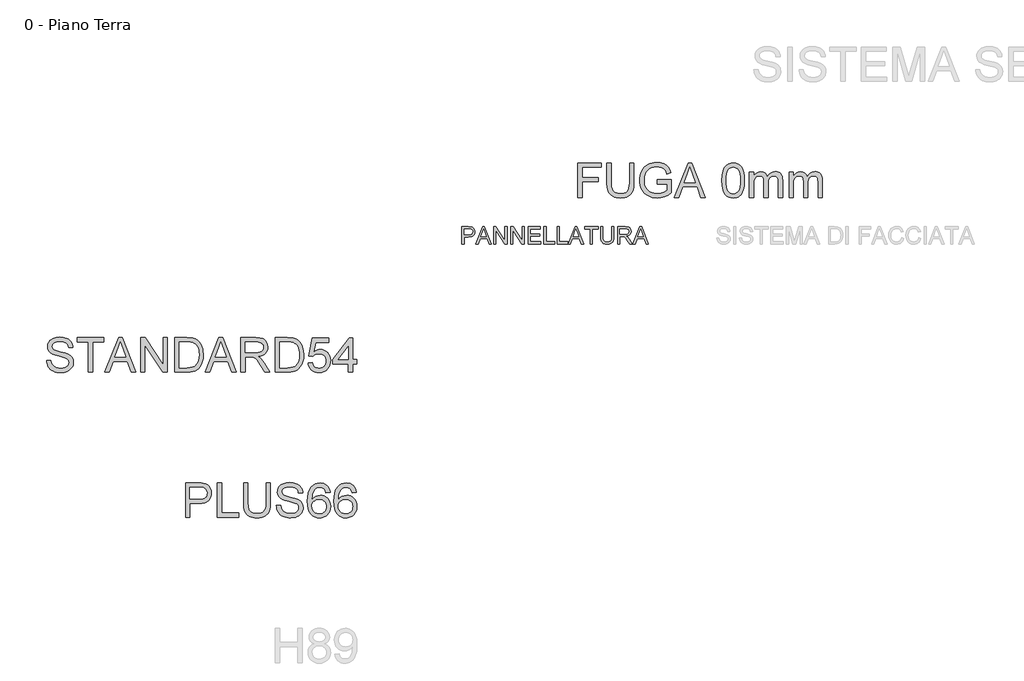
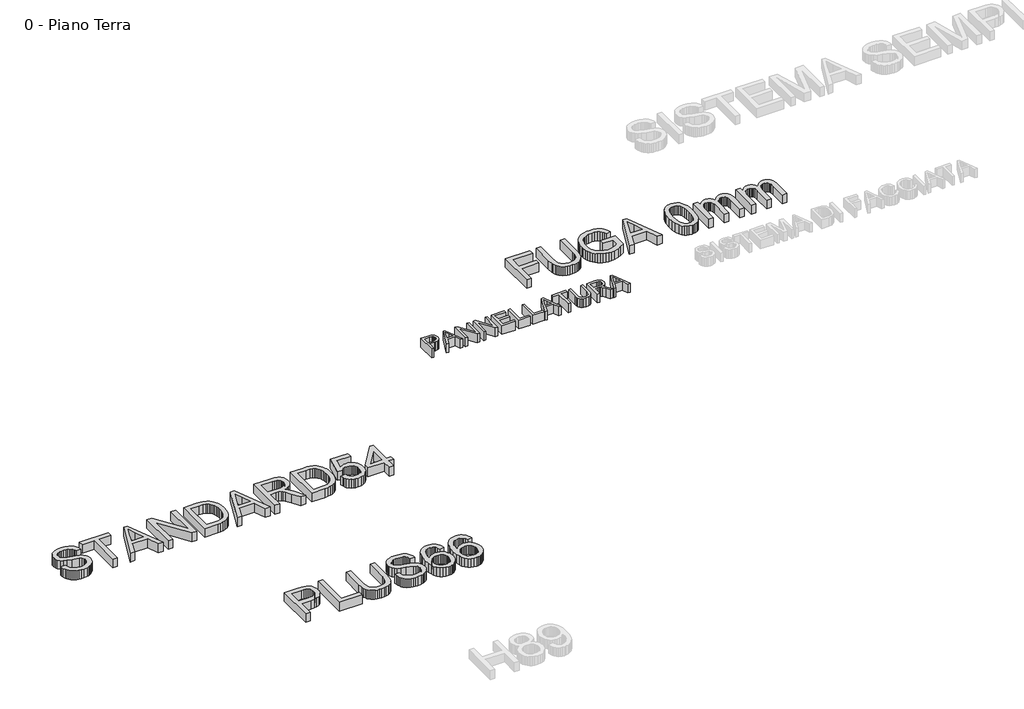
# One storey, part 10 of 17: 4 proxies.
"""IFC4 building model written with IfcOpenShell, lengths in millimetres."""

from ifc_helpers import new_model, si_unit, origin, origin_with_axes, place, context, project, spatial, polyline, outline, extrude, element, save

model = new_model("IFC4")

# Units and contexts
model_context = context("Model", 3, world=origin())
ifc_project = project(units=[si_unit("LENGTHUNIT", "METRE", prefix="MILLI")], contexts=[model_context])

# Site, building, storey
site = spatial("IfcSite", under=ifc_project)
building = spatial("IfcBuilding", under=site)
storey = spatial("IfcBuildingStorey", under=building, Name="0 - Piano Terra", Elevation=0.0)

# Proxies
placement = place(None, origin())
element("IfcBuildingElementProxy", 1, Name="Testo modello 1", ObjectType="Testo modello 1", at=placement, inside=storey, context=model_context, shape_type="SweptSolid", body=[
    extrude(outline(polyline([(-17336.6286265, -14035.9482618), (-17336.6286265, -13445.179031), (-17117.6863188, -13445.179031), (-17066.7007419, -13446.585281), (-17029.417088, -13450.804031), (-16990.0601169, -13461.3148483), (-16957.6622803, -13478.4242233), (-16931.5745399, -13502.9073964), (-16911.1478573, -13535.5396079), (-16897.9507419, -13574.0311945), (-16893.5517034, -13616.0924925), (-16896.5219558, -13652.3575166), (-16905.432713, -13685.7198964), (-16920.283975, -13716.179632), (-16941.0757419, -13743.7367233), (-16969.6199125, -13766.5792714), (-17007.7283861, -13782.8953771), (-17055.4011625, -13792.6850406), (-17112.6382419, -13795.9482618), (-17262.7824726, -13795.9482618), (-17262.7824726, -14035.9482618), (-17336.6286265, -14035.9482618)]), holes=[polyline([(-17262.7824726, -13722.1021079), (-17108.3113188, -13722.1021079), (-17072.7944919, -13720.4073964), (-17042.8305496, -13715.3232618), (-17018.4194919, -13706.8497041), (-16999.5613188, -13694.9867233), (-16985.4898044, -13680.0498243), (-16975.4387226, -13662.3545118), (-16969.4080736, -13641.9007858), (-16967.3978573, -13618.6886464), (-16972.1394438, -13585.5155695), (-16986.3642034, -13557.5348002), (-17008.3053092, -13536.4771079), (-17036.1959342, -13524.0732618), (-17064.6815111, -13520.2872041), (-17110.042088, -13519.0251848), (-17262.7824726, -13519.0251848), (-17262.7824726, -13722.1021079)])]), origin_with_axes(), (0.0, 0.0, 1.0), 150.0),
    extrude(outline(polyline([(-16792.0132419, -14035.9482618), (-16792.0132419, -13445.179031), (-16718.167088, -13445.179031), (-16718.167088, -13962.1021079), (-16422.7824726, -13962.1021079), (-16422.7824726, -14035.9482618), (-16792.0132419, -14035.9482618)])), origin_with_axes(), (0.0, 0.0, 1.0), 150.0),
    extrude(outline(polyline([(-15952.0132419, -13445.179031), (-15878.167088, -13445.179031), (-15878.167088, -13785.9963387), (-15883.1791073, -13865.8100406), (-15889.4441313, -13898.8343796), (-15898.2151649, -13927.2703771), (-15910.2494198, -13952.195257), (-15926.3041073, -13974.6862425), (-15946.3792274, -13994.7433339), (-15970.4747803, -14012.366531), (-15998.6178092, -14026.7219997), (-16030.8353573, -14036.975906), (-16067.1274246, -14043.1282497), (-16107.4940111, -14045.179031), (-16146.8645039, -14043.3941752), (-16182.4759823, -14038.0396079), (-16214.3284462, -14029.1153291), (-16242.4218957, -14016.6213387), (-16266.760838, -14000.7424324), (-16287.3497803, -13981.663406), (-16304.1887226, -13959.3842594), (-16317.2776649, -13933.9049925), (-16327.0898645, -13904.3512065), (-16334.0985784, -13869.8485021), (-16339.7055496, -13785.9963387), (-16339.7055496, -13445.179031), (-16265.8593957, -13445.179031), (-16265.8593957, -13783.4001848), (-16262.2175688, -13849.7643675), (-16251.292088, -13895.9723002), (-16242.7013428, -13913.0050526), (-16231.4964149, -13927.9735021), (-16217.6773044, -13940.8776488), (-16201.2440111, -13951.7174925), (-16161.7968957, -13966.429031), (-16114.417088, -13971.3328771), (-16073.7169678, -13968.9079973), (-16039.3089149, -13961.6333579), (-16011.1929294, -13949.5089589), (-15989.3690111, -13932.5348002), (-15973.0258621, -13908.6646079), (-15961.3521842, -13875.8521079), (-15954.3479774, -13834.0973002), (-15952.0132419, -13783.4001848), (-15952.0132419, -13445.179031)])), origin_with_axes(), (0.0, 0.0, 1.0), 150.0),
    extrude(outline(polyline([(-15776.6286265, -13832.8713387), (-15702.7824726, -13832.8713387), (-15694.3089149, -13873.850906), (-15678.9843957, -13906.7896079), (-15655.0781457, -13932.9314348), (-15620.8593957, -13953.5203771), (-15579.0324726, -13966.8797521), (-15532.3017034, -13971.3328771), (-15491.1598765, -13967.9614829), (-15455.1382419, -13957.8473002), (-15425.9495399, -13941.8376848), (-15405.3065111, -13920.7799925), (-15393.0288669, -13896.6033098), (-15388.9363188, -13871.2367233), (-15392.0012226, -13846.5191752), (-15401.1959342, -13825.1549925), (-15419.8738188, -13806.9278291), (-15451.3882419, -13791.6213387), (-15558.9122803, -13763.4242233), (-15629.495213, -13744.7643675), (-15674.6574726, -13727.0059541), (-15711.4182899, -13702.1622041), (-15737.4699726, -13672.054031), (-15752.9928092, -13637.3304733), (-15758.167088, -13598.6405695), (-15756.5670279, -13576.6498844), (-15751.7668476, -13555.3893675), (-15743.7665472, -13534.859019), (-15732.5661265, -13515.0588387), (-15718.2917875, -13496.7956175), (-15701.0697323, -13480.8761464), (-15680.8999606, -13467.3004252), (-15657.7824726, -13456.0684541), (-15605.823338, -13440.9783098), (-15548.3113188, -13435.9482618), (-15486.0036265, -13441.2126848), (-15431.4843957, -13457.0059541), (-15407.6322323, -13468.7697762), (-15386.7007419, -13483.0035502), (-15368.6899246, -13499.7072762), (-15353.5997803, -13518.8809541), (-15341.5474967, -13539.9656896), (-15332.6502611, -13562.4025887), (-15326.9080736, -13586.1916512), (-15324.3209342, -13611.3328771), (-15398.167088, -13611.3328771), (-15403.1069919, -13587.7691752), (-15411.7247803, -13567.2703771), (-15424.0204534, -13549.8364829), (-15439.9940111, -13535.4674925), (-15459.9429294, -13524.2355214), (-15484.1646842, -13516.2126848), (-15512.6592755, -13511.3989829), (-15545.4267034, -13509.7944156), (-15579.2398044, -13511.3809541), (-15608.1310303, -13516.1405695), (-15632.1003813, -13524.0732618), (-15651.1478573, -13535.179031), (-15665.6610784, -13548.5293916), (-15676.0276649, -13563.1958579), (-15682.2476169, -13579.17843), (-15684.3209342, -13596.4771079), (-15678.4435303, -13624.8545118), (-15660.8113188, -13647.679031), (-15644.6214149, -13657.8292714), (-15619.1286265, -13668.0876848), (-15540.2343957, -13688.929031), (-15458.8161265, -13708.7247041), (-15409.5613188, -13725.9963387), (-15367.463963, -13752.7872041), (-15351.1884222, -13768.5354012), (-15338.0949726, -13785.8521079), (-15328.0303693, -13804.64718), (-15320.8413669, -13824.8304733), (-15315.0901649, -13869.3617233), (-15316.7443116, -13892.4611824), (-15321.7067515, -13914.8845598), (-15329.9774847, -13936.6318555), (-15341.5565111, -13957.7030695), (-15356.2410063, -13977.2823964), (-15373.8281457, -13994.554031), (-15394.3179294, -14009.5179733), (-15417.7103573, -14022.1742233), (-15443.3248404, -14032.2388267), (-15470.4807899, -14039.4278291), (-15529.417088, -14045.179031), (-15567.1920279, -14043.6285502), (-15601.7668476, -14038.9771079), (-15633.1415472, -14031.2247041), (-15661.3161265, -14020.3713387), (-15686.4618597, -14006.3989829), (-15708.7500207, -13989.2896079), (-15728.1806097, -13969.0432137), (-15744.7536265, -13945.6598002), (-15758.1039871, -13919.8965791), (-15767.8666073, -13892.5107618), (-15774.0414871, -13863.5023483), (-15776.6286265, -13832.8713387)])), origin_with_axes(), (0.0, 0.0, 1.0), 150.0),
    extrude(outline(polyline([(-14853.5517034, -13602.1021079), (-14927.3978573, -13611.3328771), (-14939.2968957, -13574.7343195), (-14955.3786265, -13549.7463387), (-14971.2530255, -13536.3058339), (-14988.8762226, -13526.7054733), (-15008.2482178, -13520.945257), (-15029.3690111, -13519.0251848), (-15063.6959342, -13523.4963387), (-15096.0036265, -13536.9098002), (-15123.7500207, -13565.1610021), (-15146.4122803, -13604.0492233), (-15155.268951, -13628.8524084), (-15161.7187707, -13659.0552329), (-15167.3978573, -13735.6598002), (-15137.776463, -13701.0985021), (-15102.2776649, -13676.741531), (-15062.8846361, -13662.3004252), (-15021.5805496, -13657.4867233), (-14986.0997803, -13660.7769877), (-14953.3593957, -13670.647781), (-14923.3593957, -13687.0991031), (-14896.0997803, -13710.1309541), (-14873.4465351, -13738.3731416), (-14857.2656457, -13770.4554733), (-14847.5571121, -13806.3779493), (-14844.3209342, -13846.1405695), (-14850.4146842, -13899.0191752), (-14858.0318717, -13924.0116632), (-14868.6959342, -13948.0396079), (-14882.0282659, -13970.2060743), (-14897.6502611, -13989.6141271), (-14915.5619198, -14006.2637666), (-14935.7632419, -14020.1549925), (-14957.8215351, -14031.1030094), (-14981.3041073, -14038.9230214), (-15006.2109582, -14043.6150286), (-15032.542088, -14045.179031), (-15076.5640231, -14041.0323964), (-15116.3221361, -14028.5924925), (-15151.816427, -14007.8593195), (-15183.0468957, -13978.8328771), (-15208.5081337, -13940.2872041), (-15226.6947323, -13890.9963387), (-15237.6066914, -13830.960281), (-15241.2440111, -13760.179031), (-15237.2055496, -13680.8250646), (-15225.0901649, -13613.0997041), (-15204.8978573, -13557.0029493), (-15191.7728573, -13533.315299), (-15176.6286265, -13512.5348002), (-15145.9886024, -13483.0666512), (-15110.4627611, -13462.0179733), (-15070.0511024, -13449.3887666), (-15024.7536265, -13445.179031), (-14990.7422082, -13447.7841993), (-14959.9579534, -13455.5997041), (-14932.4008621, -13468.6255454), (-14908.0709342, -13486.8617233), (-14887.6262226, -13509.695257), (-14871.7247803, -13536.5131656), (-14860.3666073, -13567.3154493), (-14853.5517034, -13602.1021079)]), holes=[polyline([(-15167.3978573, -13844.9867233), (-15163.1250207, -13877.7090791), (-15150.3065111, -13908.9530695), (-15130.4026649, -13935.8160502), (-15104.8738188, -13955.3953771), (-15074.0625207, -13967.3485021), (-15038.3113188, -13971.3328771), (-15012.6427491, -13969.2685743), (-14989.5793476, -13963.0756656), (-14969.1211145, -13952.7541512), (-14951.2680496, -13938.304031), (-14936.7863789, -13920.3112425), (-14926.4423284, -13899.3617233), (-14920.2358981, -13875.4554733), (-14918.167088, -13848.5924925), (-14920.2088548, -13822.7796921), (-14926.3341553, -13799.8605214), (-14936.5429895, -13779.8349805), (-14950.8353573, -13762.7030695), (-14968.7425087, -13748.9786103), (-14989.7956938, -13739.1754252), (-15013.9949125, -13733.2935142), (-15041.3401649, -13731.3328771), (-15066.6661866, -13733.2935142), (-15090.0000207, -13739.1754252), (-15111.3416673, -13748.9786103), (-15130.6911265, -13762.7030695), (-15146.7503212, -13779.6096199), (-15158.2211746, -13798.9590791), (-15165.1036866, -13820.7514469), (-15167.3978573, -13844.9867233)])]), origin_with_axes(), (0.0, 0.0, 1.0), 150.0),
    extrude(outline(polyline([(-14401.2440111, -13602.1021079), (-14475.0901649, -13611.3328771), (-14486.9892034, -13574.7343195), (-14503.0709342, -13549.7463387), (-14518.9453332, -13536.3058339), (-14536.5685303, -13526.7054733), (-14555.9405255, -13520.945257), (-14577.0613188, -13519.0251848), (-14611.3882419, -13523.4963387), (-14643.6959342, -13536.9098002), (-14671.4423284, -13565.1610021), (-14694.104588, -13604.0492233), (-14702.9612587, -13628.8524084), (-14709.4110784, -13659.0552329), (-14715.0901649, -13735.6598002), (-14685.4687707, -13701.0985021), (-14649.9699726, -13676.741531), (-14610.5769438, -13662.3004252), (-14569.2728573, -13657.4867233), (-14533.792088, -13660.7769877), (-14501.0517034, -13670.647781), (-14471.0517034, -13687.0991031), (-14443.792088, -13710.1309541), (-14421.1388428, -13738.3731416), (-14404.9579534, -13770.4554733), (-14395.2494198, -13806.3779493), (-14392.0132419, -13846.1405695), (-14398.1069919, -13899.0191752), (-14405.7241794, -13924.0116632), (-14416.3882419, -13948.0396079), (-14429.7205736, -13970.2060743), (-14445.3425688, -13989.6141271), (-14463.2542274, -14006.2637666), (-14483.4555496, -14020.1549925), (-14505.5138428, -14031.1030094), (-14528.9964149, -14038.9230214), (-14553.9032659, -14043.6150286), (-14580.2343957, -14045.179031), (-14624.2563308, -14041.0323964), (-14664.0144438, -14028.5924925), (-14699.5087347, -14007.8593195), (-14730.7392034, -13978.8328771), (-14756.2004414, -13940.2872041), (-14774.3870399, -13890.9963387), (-14785.2989991, -13830.960281), (-14788.9363188, -13760.179031), (-14784.8978573, -13680.8250646), (-14772.7824726, -13613.0997041), (-14752.5901649, -13557.0029493), (-14739.4651649, -13533.315299), (-14724.3209342, -13512.5348002), (-14693.6809101, -13483.0666512), (-14658.1550688, -13462.0179733), (-14617.7434101, -13449.3887666), (-14572.4459342, -13445.179031), (-14538.4345159, -13447.7841993), (-14507.6502611, -13455.5997041), (-14480.0931698, -13468.6255454), (-14455.7632419, -13486.8617233), (-14435.3185303, -13509.695257), (-14419.417088, -13536.5131656), (-14408.0589149, -13567.3154493), (-14401.2440111, -13602.1021079)]), holes=[polyline([(-14715.0901649, -13844.9867233), (-14710.8173284, -13877.7090791), (-14697.9988188, -13908.9530695), (-14678.0949726, -13935.8160502), (-14652.5661265, -13955.3953771), (-14621.7548284, -13967.3485021), (-14586.0036265, -13971.3328771), (-14560.3350568, -13969.2685743), (-14537.2716553, -13963.0756656), (-14516.8134222, -13952.7541512), (-14498.9603573, -13938.304031), (-14484.4786866, -13920.3112425), (-14474.1346361, -13899.3617233), (-14467.9282058, -13875.4554733), (-14465.8593957, -13848.5924925), (-14467.9011625, -13822.7796921), (-14474.026463, -13799.8605214), (-14484.2352972, -13779.8349805), (-14498.5276649, -13762.7030695), (-14516.4348164, -13748.9786103), (-14537.4880015, -13739.1754252), (-14561.6872202, -13733.2935142), (-14589.0324726, -13731.3328771), (-14614.3584943, -13733.2935142), (-14637.6923284, -13739.1754252), (-14659.033975, -13748.9786103), (-14678.3834342, -13762.7030695), (-14694.4426289, -13779.6096199), (-14705.9134823, -13798.9590791), (-14712.7959943, -13820.7514469), (-14715.0901649, -13844.9867233)])]), origin_with_axes(), (0.0, 0.0, 1.0), 150.0),
])
element("IfcBuildingElementProxy", 2, Name="Testo modello 1", ObjectType="Testo modello 1", at=placement, inside=storey, context=model_context, shape_type="SweptSolid", body=[
    extrude(outline(polyline([(-10590.9349142, -8531.082543), (-10590.9349142, -7940.3133122), (-10194.0118373, -7940.3133122), (-10194.0118373, -8014.1594661), (-10517.0887604, -8014.1594661), (-10517.0887604, -8189.5440815), (-10240.1656835, -8189.5440815), (-10240.1656835, -8263.3902353), (-10517.0887604, -8263.3902353), (-10517.0887604, -8531.082543), (-10590.9349142, -8531.082543)])), origin_with_axes(), (0.0, 0.0, 1.0), 150.0),
    extrude(outline(polyline([(-9704.7810681, -7940.3133122), (-9630.9349142, -7940.3133122), (-9630.9349142, -8281.1306199), (-9635.9469335, -8360.9443218), (-9642.2119575, -8393.9686608), (-9650.9829912, -8422.4046584), (-9663.017246, -8447.3295382), (-9679.0719335, -8469.8205238), (-9699.1470537, -8489.8776151), (-9723.2426065, -8507.5008122), (-9751.3856354, -8521.856281), (-9783.6031835, -8532.1101872), (-9819.8952508, -8538.262531), (-9860.2618373, -8540.3133122), (-9899.6323301, -8538.5284565), (-9935.2438085, -8533.1738891), (-9967.0962724, -8524.2496103), (-9995.1897219, -8511.7556199), (-10019.5286642, -8495.8767137), (-10040.1176065, -8476.7976872), (-10056.9565488, -8454.5185406), (-10070.0454912, -8429.0392738), (-10079.8576907, -8399.4854877), (-10086.8664046, -8364.9827834), (-10092.4733758, -8281.1306199), (-10092.4733758, -7940.3133122), (-10018.6272219, -7940.3133122), (-10018.6272219, -8278.5344661), (-10014.985395, -8344.8986488), (-10004.0599142, -8391.1065815), (-9995.469169, -8408.1393339), (-9984.2642412, -8423.1077834), (-9970.4451306, -8436.01193), (-9954.0118373, -8446.8517738), (-9914.5647219, -8461.5633122), (-9867.1849142, -8466.4671584), (-9826.484794, -8464.0422786), (-9792.0767412, -8456.7676391), (-9763.9607556, -8444.6432401), (-9742.1368373, -8427.6690815), (-9725.7936883, -8403.7988891), (-9714.1200104, -8370.9863891), (-9707.1158037, -8329.2315815), (-9704.7810681, -8278.5344661), (-9704.7810681, -7940.3133122)])), origin_with_axes(), (0.0, 0.0, 1.0), 150.0),
    extrude(outline(polyline([(-9224.7810681, -8300.3133122), (-9224.7810681, -8226.4671584), (-8984.7810681, -8226.4671584), (-8984.7810681, -8447.2844661), (-9043.1043854, -8487.8493699), (-9103.266645, -8516.9479276), (-9165.1236162, -8534.4719661), (-9228.5310681, -8540.3133122), (-9270.9484359, -8537.9920983), (-9311.3736162, -8531.0284565), (-9349.8066089, -8519.4223867), (-9386.2474142, -8503.1738891), (-9419.5196498, -8482.5263531), (-9448.4469335, -8457.723168), (-9473.0292652, -8428.7643339), (-9493.266645, -8395.6498507), (-9509.0734359, -8359.4389132), (-9520.3640008, -8321.1907161), (-9527.1383397, -8280.9052593), (-9529.3964527, -8238.582543), (-9527.1473541, -8196.2553194), (-9520.4000585, -8155.379418), (-9509.1545657, -8115.9548387), (-9493.4108758, -8077.9815815), (-9473.4484359, -8043.1273146), (-9449.5466931, -8013.0597065), (-9421.7056474, -7987.7787569), (-9389.9252988, -7967.2844661), (-9354.8952508, -7951.4461247), (-9317.3051065, -7940.1330238), (-9277.1548662, -7933.3451632), (-9234.4445296, -7931.082543), (-9173.6152027, -7936.3289372), (-9118.9156835, -7952.0681199), (-9072.8519815, -7977.1642738), (-9053.9983157, -7992.7952834), (-9037.9301065, -8010.4815815), (-9012.09477, -8053.6246103), (-8993.2906835, -8108.1979276), (-9061.3676065, -8127.3806199), (-9076.5659238, -8088.4563411), (-9095.0454912, -8059.0873507), (-9119.4926065, -8036.9479276), (-9152.5935681, -8019.7123507), (-9192.0587123, -8008.6246103), (-9235.5983758, -8004.9286968), (-9286.5659238, -8008.9130718), (-9330.141645, -8020.8661968), (-9366.1632796, -8039.2916776), (-9394.4685681, -8062.6931199), (-9416.1933277, -8089.8625911), (-9432.4733758, -8119.5921584), (-9449.7810681, -8175.3373507), (-9455.5502988, -8235.5536968), (-9453.8150224, -8272.4271944), (-9448.6091931, -8306.1726872), (-9439.9328109, -8336.7901752), (-9427.7858758, -8364.2796584), (-9412.3261402, -8388.5374709), (-9393.7113565, -8409.4599468), (-9371.9415248, -8427.0470863), (-9347.016645, -8441.2988891), (-9320.1040849, -8452.3100069), (-9292.3712123, -8460.1750911), (-9263.8180272, -8464.8941416), (-9234.4445296, -8466.4671584), (-9183.2966931, -8461.7255718), (-9133.4108758, -8447.5008122), (-9090.0875585, -8427.9034565), (-9058.6272219, -8407.0440815), (-9058.6272219, -8300.3133122), (-9224.7810681, -8300.3133122)])), origin_with_axes(), (0.0, 0.0, 1.0), 150.0),
    extrude(outline(polyline([(-8933.579145, -8531.082543), (-8697.7618373, -7940.3133122), (-8634.8772219, -7940.3133122), (-8399.0599142, -8531.082543), (-8477.0887604, -8531.082543), (-8544.7329912, -8346.4671584), (-8788.0502988, -8346.4671584), (-8855.5502988, -8531.082543), (-8933.579145, -8531.082543)]), holes=[polyline([(-8760.9349142, -8272.6210045), (-8571.704145, -8272.6210045), (-8624.9252988, -8127.3806199), (-8666.3195296, -8014.1594661), (-8703.0983758, -8114.6883122), (-8760.9349142, -8272.6210045)])]), origin_with_axes(), (0.0, 0.0, 1.0), 150.0),
    extrude(outline(polyline([(-8117.0887604, -8240.457543), (-8111.6620777, -8145.8962449), (-8104.8787243, -8105.7955839), (-8095.3820296, -8070.4815815), (-8083.2125585, -8039.6657762), (-8068.4108758, -8013.0597065), (-8050.9769815, -7990.6633723), (-8030.9108758, -7972.4767738), (-8008.1449503, -7958.4052593), (-7982.6115969, -7948.3541776), (-7954.3108157, -7942.3235286), (-7923.2426065, -7940.3133122), (-7877.7377988, -7945.0729276), (-7836.9926065, -7959.3517738), (-7802.9180873, -7982.5909565), (-7777.4252988, -8014.2315815), (-7758.1704912, -8054.0032161), (-7742.8099142, -8101.6354276), (-7732.7498181, -8162.1222065), (-7729.3964527, -8240.457543), (-7734.7690488, -8334.4779757), (-7741.484794, -8374.4434204), (-7750.8868373, -8409.7123507), (-7762.961657, -8440.5416776), (-7777.6957315, -8467.1883122), (-7795.0890609, -8489.6522545), (-7815.141645, -8507.9335045), (-7837.9346137, -8522.0996704), (-7863.5490969, -8532.2183603), (-7891.9850945, -8538.2895742), (-7923.2426065, -8540.3133122), (-7963.9156835, -8536.7976872), (-7999.9733758, -8526.2508122), (-8031.4156835, -8508.6726872), (-8058.2426065, -8484.0633122), (-8083.9877988, -8439.5771343), (-8102.3772219, -8384.1474468), (-8113.4108758, -8317.7742497), (-8117.0887604, -8240.457543)]), holes=[polyline([(-8043.2426065, -8240.3133122), (-8041.079145, -8304.5095262), (-8034.5887604, -8356.473168), (-8023.7714527, -8396.2042377), (-8008.6272219, -8423.7027353), (-7990.3099142, -8442.4121704), (-7969.9733758, -8455.7760526), (-7947.6176065, -8463.7943819), (-7923.2426065, -8466.4671584), (-7898.8676065, -8463.7853675), (-7876.5118373, -8455.7399949), (-7856.1752988, -8442.3310406), (-7837.8579912, -8423.5585045), (-7822.7137604, -8396.0149348), (-7811.8964527, -8356.2928795), (-7805.4060681, -8304.3923387), (-7803.2426065, -8240.3133122), (-7805.3339527, -8177.816317), (-7811.6079912, -8126.7676391), (-7822.0647219, -8087.1672786), (-7836.704145, -8059.0152353), (-7854.7149623, -8039.3908363), (-7875.2858758, -8025.3734084), (-7898.4168854, -8016.9629516), (-7924.1079912, -8014.1594661), (-7948.3567892, -8016.629418), (-7970.3339527, -8024.0392738), (-7990.0394815, -8036.3890334), (-8007.4733758, -8053.6786968), (-8023.1224142, -8084.3277353), (-8034.3002988, -8125.6498507), (-8041.0070296, -8177.645043), (-8043.2426065, -8240.3133122)])]), origin_with_axes(), (0.0, 0.0, 1.0), 150.0),
    extrude(outline(polyline([(-7646.3195296, -8531.082543), (-7646.3195296, -8097.2363891), (-7572.4733758, -8097.2363891), (-7572.4733758, -8168.6306199), (-7550.2618373, -8135.8361488), (-7521.704145, -8110.145043), (-7487.7738565, -8093.5404757), (-7449.4445296, -8088.0056199), (-7408.3748181, -8093.6486488), (-7390.8958517, -8100.7024348), (-7375.454145, -8110.5777353), (-7350.8627988, -8137.6750911), (-7334.7810681, -8173.8229276), (-7307.8640008, -8136.2778555), (-7277.1608758, -8109.4599468), (-7242.6716931, -8093.3692016), (-7204.3964527, -8088.0056199), (-7174.8336522, -8090.2366896), (-7148.8856354, -8096.9298988), (-7126.5524022, -8108.0852473), (-7107.8339527, -8123.7027353), (-7093.0367772, -8143.9626512), (-7082.4673662, -8169.0452834), (-7076.1257195, -8198.9506319), (-7074.0118373, -8233.6786968), (-7074.0118373, -8531.082543), (-7147.8579912, -8531.082543), (-7147.8579912, -8265.4094661), (-7149.5707315, -8228.5765334), (-7154.7089527, -8203.7508122), (-7164.3363565, -8186.7496103), (-7179.516645, -8173.3902353), (-7199.0418854, -8164.7363891), (-7221.704145, -8161.8517738), (-7242.6311282, -8163.6997305), (-7261.7101546, -8169.2436007), (-7278.9412243, -8178.4833843), (-7294.3243373, -8191.4190815), (-7306.9760801, -8208.4292978), (-7316.0130392, -8229.8926391), (-7321.4352147, -8255.8091055), (-7323.2426065, -8286.1786968), (-7323.2426065, -8531.082543), (-7397.0887604, -8531.082543), (-7397.0887604, -8257.1883122), (-7401.3615969, -8215.4335045), (-7414.1801065, -8185.6498507), (-7424.0914647, -8175.238192), (-7436.7341931, -8167.801293), (-7452.1082916, -8163.3391536), (-7470.2137604, -8161.8517738), (-7498.6632796, -8165.8181199), (-7524.8772219, -8177.7171584), (-7546.5118373, -8197.2604276), (-7561.2233758, -8224.1594661), (-7569.6608758, -8261.4791776), (-7572.4733758, -8312.2844661), (-7572.4733758, -8531.082543), (-7646.3195296, -8531.082543)])), origin_with_axes(), (0.0, 0.0, 1.0), 150.0),
    extrude(outline(polyline([(-6963.2426065, -8531.082543), (-6963.2426065, -8097.2363891), (-6889.3964527, -8097.2363891), (-6889.3964527, -8168.6306199), (-6867.1849142, -8135.8361488), (-6838.6272219, -8110.145043), (-6804.6969335, -8093.5404757), (-6766.3676065, -8088.0056199), (-6725.297895, -8093.6486488), (-6707.8189287, -8100.7024348), (-6692.3772219, -8110.5777353), (-6667.7858758, -8137.6750911), (-6651.704145, -8173.8229276), (-6624.7870777, -8136.2778555), (-6594.0839527, -8109.4599468), (-6559.59477, -8093.3692016), (-6521.3195296, -8088.0056199), (-6491.7567291, -8090.2366896), (-6465.8087123, -8096.9298988), (-6443.4754791, -8108.0852473), (-6424.7570296, -8123.7027353), (-6409.9598541, -8143.9626512), (-6399.3904431, -8169.0452834), (-6393.0487964, -8198.9506319), (-6390.9349142, -8233.6786968), (-6390.9349142, -8531.082543), (-6464.7810681, -8531.082543), (-6464.7810681, -8265.4094661), (-6466.4938085, -8228.5765334), (-6471.6320296, -8203.7508122), (-6481.2594335, -8186.7496103), (-6496.4397219, -8173.3902353), (-6515.9649623, -8164.7363891), (-6538.6272219, -8161.8517738), (-6559.5542051, -8163.6997305), (-6578.6332315, -8169.2436007), (-6595.8643012, -8178.4833843), (-6611.2474142, -8191.4190815), (-6623.899157, -8208.4292978), (-6632.9361162, -8229.8926391), (-6638.3582916, -8255.8091055), (-6640.1656835, -8286.1786968), (-6640.1656835, -8531.082543), (-6714.0118373, -8531.082543), (-6714.0118373, -8257.1883122), (-6718.2846738, -8215.4335045), (-6731.1031835, -8185.6498507), (-6741.0145416, -8175.238192), (-6753.65727, -8167.801293), (-6769.0313686, -8163.3391536), (-6787.1368373, -8161.8517738), (-6815.5863565, -8165.8181199), (-6841.8002988, -8177.7171584), (-6863.4349142, -8197.2604276), (-6878.1464527, -8224.1594661), (-6886.5839527, -8261.4791776), (-6889.3964527, -8312.2844661), (-6889.3964527, -8531.082543), (-6963.2426065, -8531.082543)])), origin_with_axes(), (0.0, 0.0, 1.0), 150.0),
])
element("IfcBuildingElementProxy", 3, Name="Testo modello 1", ObjectType="Testo modello 1", at=placement, inside=storey, context=model_context, shape_type="SweptSolid", body=[
    extrude(outline(polyline([(-19727.3978573, -11332.8713387), (-19653.5517034, -11332.8713387), (-19645.0781457, -11373.850906), (-19629.7536265, -11406.7896079), (-19605.8473765, -11432.9314348), (-19571.6286265, -11453.5203771), (-19529.8017034, -11466.8797521), (-19483.0709342, -11471.3328771), (-19441.9291073, -11467.9614829), (-19405.9074726, -11457.8473002), (-19376.7187707, -11441.8376848), (-19356.0757419, -11420.7799925), (-19343.7980976, -11396.6033098), (-19339.7055496, -11371.2367233), (-19342.7704534, -11346.5191752), (-19351.9651649, -11325.1549925), (-19370.6430496, -11306.9278291), (-19402.1574726, -11291.6213387), (-19509.6815111, -11263.4242233), (-19580.2644438, -11244.7643675), (-19625.4267034, -11227.0059541), (-19662.1875207, -11202.1622041), (-19688.2392034, -11172.054031), (-19703.7620399, -11137.3304733), (-19708.9363188, -11098.6405695), (-19707.3362587, -11076.6498844), (-19702.5360784, -11055.3893675), (-19694.5357779, -11034.859019), (-19683.3353573, -11015.0588387), (-19669.0610183, -10996.7956175), (-19651.838963, -10980.8761464), (-19631.6691914, -10967.3004252), (-19608.5517034, -10956.0684541), (-19556.5925688, -10940.9783098), (-19499.0805496, -10935.9482618), (-19436.7728573, -10941.2126848), (-19382.2536265, -10957.0059541), (-19358.401463, -10968.7697762), (-19337.4699726, -10983.0035502), (-19319.4591553, -10999.7072762), (-19304.3690111, -11018.8809541), (-19292.3167274, -11039.9656896), (-19283.4194919, -11062.4025887), (-19277.6773044, -11086.1916512), (-19275.0901649, -11111.3328771), (-19348.9363188, -11111.3328771), (-19353.8762226, -11087.7691752), (-19362.4940111, -11067.2703771), (-19374.7896842, -11049.8364829), (-19390.7632419, -11035.4674925), (-19410.7121601, -11024.2355214), (-19434.9339149, -11016.2126848), (-19463.4285063, -11011.3989829), (-19496.1959342, -11009.7944156), (-19530.0090351, -11011.3809541), (-19558.9002611, -11016.1405695), (-19582.8696121, -11024.0732618), (-19601.917088, -11035.179031), (-19616.4303092, -11048.5293916), (-19626.7968957, -11063.1958579), (-19633.0168476, -11079.17843), (-19635.0901649, -11096.4771079), (-19629.2127611, -11124.8545118), (-19611.5805496, -11147.679031), (-19595.3906457, -11157.8292714), (-19569.8978573, -11168.0876848), (-19491.0036265, -11188.929031), (-19409.5853573, -11208.7247041), (-19360.3305496, -11225.9963387), (-19318.2331938, -11252.7872041), (-19301.9576529, -11268.5354012), (-19288.8642034, -11285.8521079), (-19278.7996, -11304.64718), (-19271.6105976, -11324.8304733), (-19265.8593957, -11369.3617233), (-19267.5135423, -11392.4611824), (-19272.4759823, -11414.8845598), (-19280.7467154, -11436.6318555), (-19292.3257419, -11457.7030695), (-19307.0102371, -11477.2823964), (-19324.5973765, -11494.554031), (-19345.0871601, -11509.5179733), (-19368.479588, -11522.1742233), (-19394.0940712, -11532.2388267), (-19421.2500207, -11539.4278291), (-19480.1863188, -11545.179031), (-19517.9612587, -11543.6285502), (-19552.5360784, -11538.9771079), (-19583.9107779, -11531.2247041), (-19612.0853573, -11520.3713387), (-19637.2310904, -11506.3989829), (-19659.5192515, -11489.2896079), (-19678.9498404, -11469.0432137), (-19695.5228573, -11445.6598002), (-19708.8732178, -11419.8965791), (-19718.635838, -11392.5107618), (-19724.8107178, -11363.5023483), (-19727.3978573, -11332.8713387)])), origin_with_axes(), (0.0, 0.0, 1.0), 150.0),
    extrude(outline(polyline([(-19007.3978573, -11535.9482618), (-19007.3978573, -11019.0251848), (-19201.2440111, -11019.0251848), (-19201.2440111, -10945.179031), (-18739.7055496, -10945.179031), (-18739.7055496, -11019.0251848), (-18933.5517034, -11019.0251848), (-18933.5517034, -11535.9482618), (-19007.3978573, -11535.9482618)])), origin_with_axes(), (0.0, 0.0, 1.0), 150.0),
    extrude(outline(polyline([(-18725.4267034, -11535.9482618), (-18489.6093957, -10945.179031), (-18426.7247803, -10945.179031), (-18190.9074726, -11535.9482618), (-18268.9363188, -11535.9482618), (-18336.5805496, -11351.3328771), (-18579.8978573, -11351.3328771), (-18647.3978573, -11535.9482618), (-18725.4267034, -11535.9482618)]), holes=[polyline([(-18552.7824726, -11277.4867233), (-18363.5517034, -11277.4867233), (-18416.7728573, -11132.2463387), (-18458.167088, -11019.0251848), (-18494.9459342, -11119.554031), (-18552.7824726, -11277.4867233)])]), origin_with_axes(), (0.0, 0.0, 1.0), 150.0),
    extrude(outline(polyline([(-18112.0132419, -11535.9482618), (-18112.0132419, -10945.179031), (-18032.9747803, -10945.179031), (-17724.3209342, -11413.2078771), (-17724.3209342, -10945.179031), (-17650.4747803, -10945.179031), (-17650.4747803, -11535.9482618), (-17729.5132419, -11535.9482618), (-18038.167088, -11067.7751848), (-18038.167088, -11535.9482618), (-18112.0132419, -11535.9482618)])), origin_with_axes(), (0.0, 0.0, 1.0), 150.0),
    extrude(outline(polyline([(-17521.2440111, -11535.9482618), (-17521.2440111, -10945.179031), (-17317.4459342, -10945.179031), (-17256.5444919, -10947.3064348), (-17212.0132419, -10953.6886464), (-17164.9218957, -10970.0948964), (-17125.1863188, -10995.9482618), (-17103.2902851, -11017.0780695), (-17084.3329534, -11040.9482618), (-17068.3143236, -11067.5588387), (-17055.2343957, -11096.9098002), (-17045.0751409, -11128.7307137), (-17037.8185303, -11162.7511464), (-17032.0132419, -11237.3905695), (-17035.9435303, -11300.7980214), (-17047.7343957, -11356.5973002), (-17065.6911265, -11404.1033098), (-17088.1190111, -11442.6309541), (-17113.9363188, -11473.0456175), (-17142.0613188, -11496.2126848), (-17174.3509823, -11513.3941752), (-17212.6622803, -11525.8521079), (-17257.0673284, -11533.4242233), (-17307.6382419, -11535.9482618), (-17521.2440111, -11535.9482618)]), holes=[polyline([(-17447.3978573, -11462.1021079), (-17316.7247803, -11462.1021079), (-17262.6742996, -11459.4338387), (-17221.6767034, -11451.429031), (-17190.7392034, -11438.5564348), (-17166.8690111, -11421.2848002), (-17141.213963, -11389.319656), (-17121.9411265, -11347.9434541), (-17109.8798284, -11296.975906), (-17105.8593957, -11236.2367233), (-17107.8290472, -11193.3641271), (-17113.7380015, -11155.7559541), (-17123.5862587, -11123.4122041), (-17137.3738188, -11096.3328771), (-17153.9828933, -11073.9049925), (-17172.2956938, -11055.5155695), (-17192.3122202, -11041.1646079), (-17214.0324726, -11030.8521079), (-17256.5084342, -11021.9819156), (-17318.7440111, -11019.0251848), (-17447.3978573, -11019.0251848), (-17447.3978573, -11462.1021079)])]), origin_with_axes(), (0.0, 0.0, 1.0), 150.0),
    extrude(outline(polyline([(-16999.2728573, -11535.9482618), (-16763.4555496, -10945.179031), (-16700.5709342, -10945.179031), (-16464.7536265, -11535.9482618), (-16542.7824726, -11535.9482618), (-16610.4267034, -11351.3328771), (-16853.7440111, -11351.3328771), (-16921.2440111, -11535.9482618), (-16999.2728573, -11535.9482618)]), holes=[polyline([(-16826.6286265, -11277.4867233), (-16637.3978573, -11277.4867233), (-16690.6190111, -11132.2463387), (-16732.0132419, -11019.0251848), (-16768.792088, -11119.554031), (-16826.6286265, -11277.4867233)])]), origin_with_axes(), (0.0, 0.0, 1.0), 150.0),
    extrude(outline(polyline([(-16385.8593957, -11535.9482618), (-16385.8593957, -10945.179031), (-16131.292088, -10945.179031), (-16062.8726169, -10949.163406), (-16013.0949726, -10961.116531), (-15993.8852371, -10970.6177329), (-15976.7127611, -10983.1838387), (-15961.5775448, -10998.8148483), (-15948.479588, -11017.5107618), (-15937.910177, -11038.2664709), (-15930.3605976, -11060.0768675), (-15924.3209342, -11106.8617233), (-15926.8224366, -11137.2042714), (-15934.3269438, -11165.0588387), (-15946.8344558, -11190.4254252), (-15964.3449726, -11213.304031), (-15987.0838548, -11232.9644877), (-16015.276463, -11248.6766271), (-16048.9227972, -11260.4404493), (-16088.0228573, -11268.2559541), (-16063.6839149, -11284.1573964), (-16046.0517034, -11299.8424925), (-15986.1959342, -11375.8521079), (-15887.6863188, -11535.9482618), (-15973.5036265, -11535.9482618), (-16050.3786265, -11413.4963387), (-16105.9074726, -11332.4386464), (-16126.5505015, -11308.8028291), (-16144.9218957, -11294.1453771), (-16180.042088, -11280.0828771), (-16222.8786265, -11277.4867233), (-16312.0132419, -11277.4867233), (-16312.0132419, -11535.9482618), (-16385.8593957, -11535.9482618)]), holes=[polyline([(-16312.0132419, -11203.6405695), (-16146.7247803, -11203.6405695), (-16099.2548284, -11201.0263868), (-16062.4218957, -11193.1838387), (-16034.6935303, -11179.5900887), (-16014.5372803, -11159.7223002), (-16002.2596361, -11135.6898483), (-15998.167088, -11109.6021079), (-16000.1187106, -11090.7168916), (-16005.9735784, -11073.5804733), (-16015.7316914, -11058.1928531), (-16029.3930496, -11044.554031), (-16047.2731577, -11033.3851608), (-16069.6875207, -11025.4073964), (-16096.6361385, -11020.6207377), (-16128.1190111, -11019.0251848), (-16312.0132419, -11019.0251848), (-16312.0132419, -11203.6405695)])]), origin_with_axes(), (0.0, 0.0, 1.0), 150.0),
    extrude(outline(polyline([(-15795.0901649, -11535.9482618), (-15795.0901649, -10945.179031), (-15591.292088, -10945.179031), (-15530.3906457, -10947.3064348), (-15485.8593957, -10953.6886464), (-15438.7680496, -10970.0948964), (-15399.0324726, -10995.9482618), (-15377.136439, -11017.0780695), (-15358.1791073, -11040.9482618), (-15342.1604774, -11067.5588387), (-15329.0805496, -11096.9098002), (-15318.9212948, -11128.7307137), (-15311.6646842, -11162.7511464), (-15305.8593957, -11237.3905695), (-15309.7896842, -11300.7980214), (-15321.5805496, -11356.5973002), (-15339.5372803, -11404.1033098), (-15361.9651649, -11442.6309541), (-15387.7824726, -11473.0456175), (-15415.9074726, -11496.2126848), (-15448.1971361, -11513.3941752), (-15486.5084342, -11525.8521079), (-15530.9134823, -11533.4242233), (-15581.4843957, -11535.9482618), (-15795.0901649, -11535.9482618)]), holes=[polyline([(-15721.2440111, -11462.1021079), (-15590.5709342, -11462.1021079), (-15536.5204534, -11459.4338387), (-15495.5228573, -11451.429031), (-15464.5853573, -11438.5564348), (-15440.7151649, -11421.2848002), (-15415.0601169, -11389.319656), (-15395.7872803, -11347.9434541), (-15383.7259823, -11296.975906), (-15379.7055496, -11236.2367233), (-15381.675201, -11193.3641271), (-15387.5841553, -11155.7559541), (-15397.4324125, -11123.4122041), (-15411.2199726, -11096.3328771), (-15427.8290472, -11073.9049925), (-15446.1418476, -11055.5155695), (-15466.1583741, -11041.1646079), (-15487.8786265, -11030.8521079), (-15530.354588, -11021.9819156), (-15592.5901649, -11019.0251848), (-15721.2440111, -11019.0251848), (-15721.2440111, -11462.1021079)])]), origin_with_axes(), (0.0, 0.0, 1.0), 150.0),
    extrude(outline(polyline([(-15232.0132419, -11379.0251848), (-15158.167088, -11369.7944156), (-15152.6502611, -11393.5338988), (-15144.6093957, -11414.1273483), (-15134.0444919, -11431.5747642), (-15120.9555496, -11445.8761464), (-15105.3696121, -11457.0134661), (-15087.3137226, -11464.9686945), (-15066.7878813, -11469.7418315), (-15043.792088, -11471.3328771), (-15015.667088, -11469.1198363), (-14990.8593957, -11462.4807137), (-14969.3690111, -11451.4155094), (-14951.1959342, -11435.9242233), (-14936.745814, -11416.7730815), (-14926.4242996, -11394.7283098), (-14920.2313909, -11369.7899084), (-14918.167088, -11341.9578771), (-14920.1006818, -11315.6537906), (-14925.901463, -11292.2703771), (-14935.5694318, -11271.8076368), (-14949.104588, -11254.2655695), (-14966.5520039, -11240.194055), (-14987.9567515, -11230.1429733), (-15013.3188308, -11224.1123243), (-15042.6382419, -11222.1021079), (-15078.4615592, -11225.3112425), (-15107.4699726, -11234.9386464), (-15130.6370399, -11249.6862425), (-15148.9363188, -11268.2559541), (-15222.7824726, -11259.0251848), (-15158.167088, -10954.4098002), (-14872.0132419, -10954.4098002), (-14872.0132419, -11028.2559541), (-15098.4555496, -11028.2559541), (-15130.042088, -11190.9482618), (-15103.9813909, -11172.2703771), (-15077.2896842, -11158.929031), (-15049.9669678, -11150.9242233), (-15022.0132419, -11148.2559541), (-14986.050201, -11151.5642473), (-14953.0168476, -11161.4891271), (-14922.9131818, -11178.0305935), (-14895.7392034, -11201.1886464), (-14873.2437106, -11229.5480214), (-14857.1755015, -11261.6934541), (-14847.534576, -11297.6249445), (-14844.3209342, -11337.3424925), (-14847.214564, -11375.5997041), (-14855.8954534, -11411.1886464), (-14870.3636024, -11444.1093195), (-14890.6190111, -11474.3617233), (-14921.3041073, -11505.3442954), (-14957.1093957, -11527.4747041), (-14998.0348765, -11540.7529493), (-15044.0805496, -11545.179031), (-15082.1890231, -11542.3349805), (-15116.6105976, -11533.8028291), (-15147.3452731, -11519.5825767), (-15174.3930496, -11499.6742233), (-15196.8975568, -11475.0693555), (-15214.0024246, -11446.7595598), (-15225.7076529, -11414.7448363), (-15232.0132419, -11379.0251848)])), origin_with_axes(), (0.0, 0.0, 1.0), 150.0),
    extrude(outline(polyline([(-14539.7055496, -11535.9482618), (-14539.7055496, -11397.4867233), (-14807.3978573, -11397.4867233), (-14807.3978573, -11323.6405695), (-14521.2440111, -10954.4098002), (-14465.8593957, -10954.4098002), (-14465.8593957, -11323.6405695), (-14392.0132419, -11323.6405695), (-14392.0132419, -11397.4867233), (-14465.8593957, -11397.4867233), (-14465.8593957, -11535.9482618), (-14539.7055496, -11535.9482618)]), holes=[polyline([(-14539.7055496, -11323.6405695), (-14539.7055496, -11095.4674925), (-14716.5324726, -11323.6405695), (-14539.7055496, -11323.6405695)])]), origin_with_axes(), (0.0, 0.0, 1.0), 150.0),
])
element("IfcBuildingElementProxy", 4, Name="Testo modello 2", ObjectType="Testo modello 2", at=placement, inside=storey, context=model_context, shape_type="SweptSolid", body=[
    extrude(outline(polyline([(-12585.5502988, -9331.082543), (-12585.5502988, -9035.6979276), (-12476.079145, -9035.6979276), (-12431.9445296, -9038.5104276), (-12412.266044, -9043.7658363), (-12396.0671258, -9052.3205238), (-12383.0232556, -9064.5621103), (-12372.8099142, -9080.8782161), (-12366.2113565, -9100.1240093), (-12364.0118373, -9121.1546584), (-12369.9523421, -9155.9683603), (-12377.3779731, -9171.1982281), (-12387.7738565, -9184.9767738), (-12402.0459419, -9196.3980478), (-12421.1001787, -9204.5561007), (-12444.9365669, -9209.4509324), (-12473.5551065, -9211.082543), (-12548.6272219, -9211.082543), (-12548.6272219, -9331.082543), (-12585.5502988, -9331.082543)]), holes=[polyline([(-12548.6272219, -9174.1594661), (-12471.391645, -9174.1594661), (-12438.6512604, -9170.770043), (-12417.016645, -9160.6017738), (-12404.9553469, -9144.285668), (-12400.9349142, -9122.4527353), (-12403.3057075, -9105.8661968), (-12410.4180873, -9091.8758122), (-12421.3886402, -9081.3469661), (-12435.3339527, -9075.145043), (-12472.2570296, -9072.6210045), (-12548.6272219, -9072.6210045), (-12548.6272219, -9174.1594661)])]), origin_with_axes(), (0.0, 0.0, 1.0), 150.0),
    extrude(outline(polyline([(-12347.641645, -9331.082543), (-12229.7329912, -9035.6979276), (-12198.2906835, -9035.6979276), (-12080.3820296, -9331.082543), (-12119.3964527, -9331.082543), (-12153.2185681, -9238.7748507), (-12274.8772219, -9238.7748507), (-12308.6272219, -9331.082543), (-12347.641645, -9331.082543)]), holes=[polyline([(-12261.3195296, -9201.8517738), (-12166.704145, -9201.8517738), (-12193.3147219, -9129.2315815), (-12214.0118373, -9072.6210045), (-12232.4012604, -9122.8854276), (-12261.3195296, -9201.8517738)])]), origin_with_axes(), (0.0, 0.0, 1.0), 150.0),
    extrude(outline(polyline([(-12040.9349142, -9331.082543), (-12040.9349142, -9035.6979276), (-12001.4156835, -9035.6979276), (-11847.0887604, -9269.7123507), (-11847.0887604, -9035.6979276), (-11810.1656835, -9035.6979276), (-11810.1656835, -9331.082543), (-11849.6849142, -9331.082543), (-12004.0118373, -9096.9960045), (-12004.0118373, -9331.082543), (-12040.9349142, -9331.082543)])), origin_with_axes(), (0.0, 0.0, 1.0), 150.0),
    extrude(outline(polyline([(-11745.5502988, -9331.082543), (-11745.5502988, -9035.6979276), (-11706.0310681, -9035.6979276), (-11551.704145, -9269.7123507), (-11551.704145, -9035.6979276), (-11514.7810681, -9035.6979276), (-11514.7810681, -9331.082543), (-11554.3002988, -9331.082543), (-11708.6272219, -9096.9960045), (-11708.6272219, -9331.082543), (-11745.5502988, -9331.082543)])), origin_with_axes(), (0.0, 0.0, 1.0), 150.0),
    extrude(outline(polyline([(-11450.1656835, -9331.082543), (-11450.1656835, -9035.6979276), (-11237.8579912, -9035.6979276), (-11237.8579912, -9072.6210045), (-11413.2426065, -9072.6210045), (-11413.2426065, -9160.3133122), (-11247.0887604, -9160.3133122), (-11247.0887604, -9197.2363891), (-11413.2426065, -9197.2363891), (-11413.2426065, -9294.1594661), (-11233.2426065, -9294.1594661), (-11233.2426065, -9331.082543), (-11450.1656835, -9331.082543)])), origin_with_axes(), (0.0, 0.0, 1.0), 150.0),
    extrude(outline(polyline([(-11177.8579912, -9331.082543), (-11177.8579912, -9035.6979276), (-11140.9349142, -9035.6979276), (-11140.9349142, -9294.1594661), (-10993.2426065, -9294.1594661), (-10993.2426065, -9331.082543), (-11177.8579912, -9331.082543)])), origin_with_axes(), (0.0, 0.0, 1.0), 150.0),
    extrude(outline(polyline([(-10951.704145, -9331.082543), (-10951.704145, -9035.6979276), (-10914.7810681, -9035.6979276), (-10914.7810681, -9294.1594661), (-10767.0887604, -9294.1594661), (-10767.0887604, -9331.082543), (-10951.704145, -9331.082543)])), origin_with_axes(), (0.0, 0.0, 1.0), 150.0),
    extrude(outline(polyline([(-10759.9493373, -9331.082543), (-10642.0406835, -9035.6979276), (-10610.5983758, -9035.6979276), (-10492.6897219, -9331.082543), (-10531.704145, -9331.082543), (-10565.5262604, -9238.7748507), (-10687.1849142, -9238.7748507), (-10720.9349142, -9331.082543), (-10759.9493373, -9331.082543)]), holes=[polyline([(-10673.6272219, -9201.8517738), (-10579.0118373, -9201.8517738), (-10605.6224142, -9129.2315815), (-10626.3195296, -9072.6210045), (-10644.7089527, -9122.8854276), (-10673.6272219, -9201.8517738)])]), origin_with_axes(), (0.0, 0.0, 1.0), 150.0),
    extrude(outline(polyline([(-10379.3964527, -9331.082543), (-10379.3964527, -9072.6210045), (-10476.3195296, -9072.6210045), (-10476.3195296, -9035.6979276), (-10245.5502988, -9035.6979276), (-10245.5502988, -9072.6210045), (-10342.4733758, -9072.6210045), (-10342.4733758, -9331.082543), (-10379.3964527, -9331.082543)])), origin_with_axes(), (0.0, 0.0, 1.0), 150.0),
    extrude(outline(polyline([(-10010.1656835, -9035.6979276), (-9973.2426065, -9035.6979276), (-9973.2426065, -9206.1065815), (-9975.7486162, -9246.0134324), (-9983.266645, -9276.7436007), (-9997.3111162, -9300.4515334), (-10019.3964527, -9319.2916776), (-10049.5767412, -9331.5963651), (-10087.9060681, -9335.6979276), (-10125.3970537, -9332.1282161), (-10155.3700104, -9321.4190815), (-10177.8339527, -9303.9401151), (-10192.797895, -9280.0609084), (-10201.2083517, -9248.0326632), (-10204.0118373, -9206.1065815), (-10204.0118373, -9035.6979276), (-10167.0887604, -9035.6979276), (-10167.0887604, -9204.8085045), (-10165.2678469, -9237.9905959), (-10159.8051065, -9261.0945622), (-10149.90727, -9277.0951632), (-10134.7810681, -9288.9671584), (-10115.0575104, -9296.3229276), (-10091.3676065, -9298.7748507), (-10053.81352, -9293.9250911), (-10039.7555272, -9287.8628916), (-10028.8435681, -9279.3758122), (-10020.6719936, -9267.4407161), (-10014.8351546, -9251.0344661), (-10010.1656835, -9204.8085045), (-10010.1656835, -9035.6979276)])), origin_with_axes(), (0.0, 0.0, 1.0), 150.0),
    extrude(outline(polyline([(-9908.6272219, -9331.082543), (-9908.6272219, -9035.6979276), (-9781.3435681, -9035.6979276), (-9747.1338325, -9037.6901151), (-9722.2450104, -9043.6666776), (-9704.0539046, -9054.7003315), (-9689.9373181, -9071.863793), (-9680.8778229, -9093.1468459), (-9677.8579912, -9116.5392738), (-9682.860996, -9145.6378315), (-9697.8700104, -9169.7604276), (-9709.2394515, -9179.590656), (-9723.3357556, -9187.4467257), (-9759.7089527, -9197.2363891), (-9738.7233758, -9213.0296584), (-9708.7954912, -9251.0344661), (-9659.5406835, -9331.082543), (-9702.4493373, -9331.082543), (-9740.8868373, -9269.8565815), (-9768.6512604, -9229.3277353), (-9788.1584719, -9210.1811007), (-9805.7185681, -9203.1498507), (-9827.1368373, -9201.8517738), (-9871.704145, -9201.8517738), (-9871.704145, -9331.082543), (-9908.6272219, -9331.082543)]), holes=[polyline([(-9871.704145, -9164.9286968), (-9789.0599142, -9164.9286968), (-9765.3249383, -9163.6216055), (-9746.9084719, -9159.7003315), (-9733.0442892, -9152.9034565), (-9722.9661642, -9142.9695622), (-9716.8273421, -9130.9533363), (-9714.7810681, -9117.9094661), (-9718.6843133, -9099.8986488), (-9730.3940488, -9085.3854276), (-9750.5412844, -9075.8121103), (-9779.7570296, -9072.6210045), (-9871.704145, -9072.6210045), (-9871.704145, -9164.9286968)])]), origin_with_axes(), (0.0, 0.0, 1.0), 150.0),
    extrude(outline(polyline([(-9647.641645, -9331.082543), (-9529.7329912, -9035.6979276), (-9498.2906835, -9035.6979276), (-9380.3820296, -9331.082543), (-9419.3964527, -9331.082543), (-9453.2185681, -9238.7748507), (-9574.8772219, -9238.7748507), (-9608.6272219, -9331.082543), (-9647.641645, -9331.082543)]), holes=[polyline([(-9561.3195296, -9201.8517738), (-9466.704145, -9201.8517738), (-9493.3147219, -9129.2315815), (-9514.0118373, -9072.6210045), (-9532.4012604, -9122.8854276), (-9561.3195296, -9201.8517738)])]), origin_with_axes(), (0.0, 0.0, 1.0), 150.0),
])

save(model, "model.ifc")
